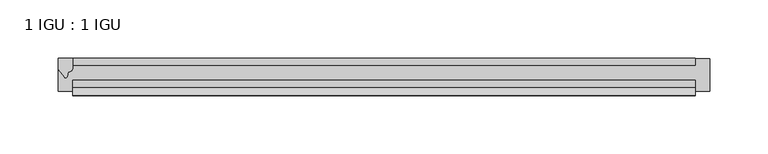
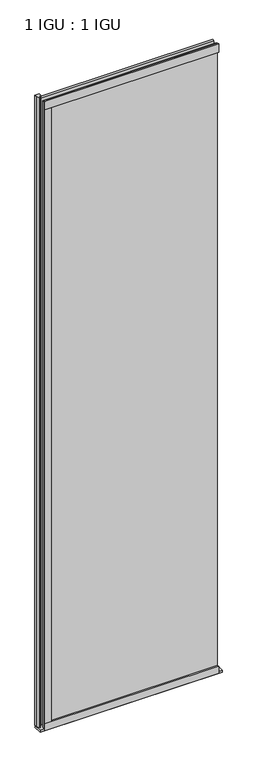
"""IFC4 building model written with IfcOpenShell, lengths in millimetres: plate geometry, 1 IGU : 1 IGU."""

from ifc_helpers import new_model, si_unit, point, frame, frame_2d, origin, place, context, project, spatial, polyline, circle_curve, trimmed, segment, composite_curve, outline, extrude, source, transform, mapped, element, save


def plate_1_igu_1_igu_9e8f38f1(model_context):
    return source(origin(), model_context, "Body", "SweptSolid", [
        extrude(outline(polyline([(267.4388701, 0.0021347), (267.4388701, -6.2992), (-267.4388701, -6.2992), (-267.4388701, 0.0021347), (267.4388701, 0.0021347)])), frame((0.0, 0.0, -19.05), z_axis=(0.0, 0.0, 1.0), x_axis=(1.0, 0.0, 0.0)), (0.0, 0.0, 1.0), 2041.5250001),
        extrude(outline(polyline([(-267.4388701, -19.0986653), (267.4388701, -19.0986653), (267.4388701, -25.3978653), (-267.4388701, -25.3978653), (-267.4388701, -19.0986653)])), frame((0.0, 0.0, -19.05), z_axis=(0.0, 0.0, 1.0), x_axis=(1.0, 0.0, 0.0)), (0.0, 0.0, 1.0), 2041.5250001),
        extrude(outline(composite_curve([segment(trimmed(circle_curve(frame_2d((10.9021792, -22.6833935)), 11.4916952), [point((0.0, -19.05))], [point((-0.2638007, -25.4))], True, "CARTESIAN"), True, "CONTINUOUS"), segment(polyline([(-0.2638007, -25.4), (-27.9952564, -25.4), (-27.9952564, -19.05), (0.0, -19.05)]), True, "CONTINUOUS")], self_intersect=False)), frame((-280.1388701, 0.0, 0.0), z_axis=(1.0, 0.0, 0.0), x_axis=(0.0, 1.0, 0.0)), (0.0, 0.0, 1.0), 560.2777402),
        extrude(outline(composite_curve([segment(polyline([(-267.4388701, 8.8e-06), (-267.4388701, -7.7683362)]), True, "CONTINUOUS"), segment(trimmed(circle_curve(frame_2d((-271.410368, -7.7683362)), 3.9714979), [point((-267.4388701, -7.7683362))], [point((-271.5378198, -11.7377885))], False, "CARTESIAN"), True, "CONTINUOUS"), segment(polyline([(-271.5378198, -11.7377885), (-272.5178544, -16.012436)]), True, "CONTINUOUS"), segment(trimmed(circle_curve(frame_2d((-273.6190634, -15.7723555)), 1.1270758), [point((-272.5178544, -16.012436))], [point((-274.5729028, -16.372764))], False, "CARTESIAN"), True, "CONTINUOUS"), segment(polyline([(-274.5729028, -16.372764), (-280.1388701, -9.7395025), (-280.1388701, 8.8e-06), (-267.4388701, 8.8e-06)]), True, "CONTINUOUS")], self_intersect=False)), frame((0.0, 0.0, -19.05), z_axis=(0.0, 0.0, 1.0), x_axis=(1.0, 0.0, 0.0)), (0.0, 0.0, 1.0), 2051.8374001),
        extrude(outline(composite_curve([segment(polyline([(-31.75, 0.0), (-25.4, 0.0), (-25.4, -22.225)]), True, "CONTINUOUS"), segment(trimmed(circle_curve(frame_2d((-28.575, -28.9113452)), 7.4018806), [point((-25.4, -22.225))], [point((-31.75, -22.225))], True, "CARTESIAN"), True, "CONTINUOUS"), segment(polyline([(-31.75, -22.225), (-31.75, 0.0)]), True, "CONTINUOUS")], self_intersect=False)), frame((-267.4388701, 0.0, 0.0), z_axis=(1.0, 0.0, 0.0), x_axis=(0.0, 1.0, 0.0)), (0.0, 0.0, 1.0), 534.8777402),
        extrude(outline(composite_curve([segment(polyline([(-25.4, 2025.6500001), (-25.4, 2000.2500001), (-31.75, 2000.2500001), (-31.75, 2028.4228974)]), True, "CONTINUOUS"), segment(trimmed(circle_curve(frame_2d((-24.1401272, 2037.1924116)), 11.6109665), [point((-31.75, 2028.4228974))], [point((-25.4, 2025.6500001))], True, "CARTESIAN"), True, "CONTINUOUS")], self_intersect=False)), frame((-267.4388701, 0.0, 0.0), z_axis=(1.0, 0.0, 0.0), x_axis=(0.0, 1.0, 0.0)), (0.0, 0.0, 1.0), 534.8777402),
        extrude(outline(composite_curve([segment(trimmed(circle_curve(frame_2d((-276.9050208, -28.575)), 9.9844196), [point((-267.4388701, -31.75))], [point((-267.4388701, -25.4))], True, "CARTESIAN"), True, "CONTINUOUS"), segment(polyline([(-267.4388701, -25.4), (-248.3888701, -25.4), (-248.3888701, -31.75), (-267.4388701, -31.75)]), True, "CONTINUOUS")], self_intersect=False)), frame((0.0, 0.0, -19.05), z_axis=(0.0, 0.0, 1.0), x_axis=(1.0, 0.0, 0.0)), (0.0, 0.0, 1.0), 2041.5250001),
    ])


if __name__ == "__main__":
    model = new_model("IFC4")
    model_context = context("Model", 3, world=origin())
    ifc_project = project(units=[si_unit("LENGTHUNIT", "METRE", prefix="MILLI")], contexts=[model_context])
    site = spatial("IfcSite", under=ifc_project)
    building = spatial("IfcBuilding", under=site)
    placement = place(None, origin())
    plate_1_igu_1_igu_shape = plate_1_igu_1_igu_9e8f38f1(model_context)
    element("IfcPlate", 1, ObjectType="1 IGU : 1 IGU", at=placement, inside=building, context=model_context, shape_type="MappedRepresentation", body=[
        mapped(plate_1_igu_1_igu_shape, transform((0.0, 0.0, 0.0), x_axis=(1.0, 0.0, 0.0), y_axis=(0.0, 1.0, 0.0), z_axis=(0.0, 0.0, 1.0))),
    ])
    save(model, "model.ifc")
